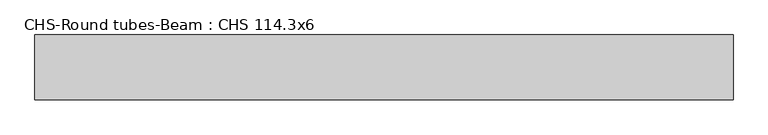
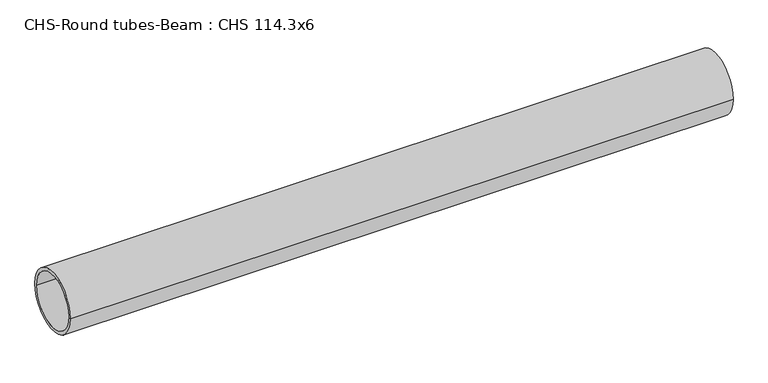
"""IFC4 building model written with IfcOpenShell, lengths in millimetres: beam geometry, CHS-Round tubes-Beam : CHS 114.3x6."""

from ifc_helpers import new_model, si_unit, point, frame, origin, origin_2d, place, context, project, spatial, circle_curve, trimmed, segment, composite_curve, outline, extrude, source, transform, mapped, element, save


def chs_round_tubes_beam_chs_114_3x6_f6cdc7d5(model_context):
    return source(origin(), model_context, "Body", "SweptSolid", [
        extrude(outline(composite_curve([segment(trimmed(circle_curve(origin_2d(), 57.15), [point((57.15, 0.0))], [point((-57.15, 0.0))], False, "CARTESIAN"), True, "CONTINUOUS"), segment(trimmed(circle_curve(origin_2d(), 57.15), [point((-57.15, 0.0))], [point((57.15, 0.0))], False, "CARTESIAN"), True, "CONTINUOUS")], self_intersect=False), holes=[composite_curve([segment(trimmed(circle_curve(origin_2d(), 51.15), [point((51.15, 0.0))], [point((-51.15, 0.0))], True, "CARTESIAN"), True, "CONTINUOUS"), segment(trimmed(circle_curve(origin_2d(), 51.15), [point((-51.15, 0.0))], [point((51.15, 0.0))], True, "CARTESIAN"), True, "CONTINUOUS")], self_intersect=False)]), frame((-616.3397037, 0.0, 0.0), z_axis=(1.0, 0.0, 0.0), x_axis=(0.0, 1.0, 0.0)), (0.0, 0.0, 1.0), 1232.6807087),
    ])


if __name__ == "__main__":
    model = new_model("IFC4")
    model_context = context("Model", 3, world=origin())
    ifc_project = project(units=[si_unit("LENGTHUNIT", "METRE", prefix="MILLI")], contexts=[model_context])
    site = spatial("IfcSite", under=ifc_project)
    building = spatial("IfcBuilding", under=site)
    placement = place(None, origin())
    chs_round_tubes_beam_chs_114_3x6_shape = chs_round_tubes_beam_chs_114_3x6_f6cdc7d5(model_context)
    element("IfcBeam", 1, ObjectType="CHS-Round tubes-Beam : CHS 114.3x6", at=placement, inside=building, context=model_context, shape_type="MappedRepresentation", body=[
        mapped(chs_round_tubes_beam_chs_114_3x6_shape, transform((0.0, 0.0, 0.0), x_axis=(1.0, 0.0, 0.0), y_axis=(0.0, 1.0, 0.0), z_axis=(0.0, 0.0, 1.0))),
    ])
    save(model, "model.ifc")
